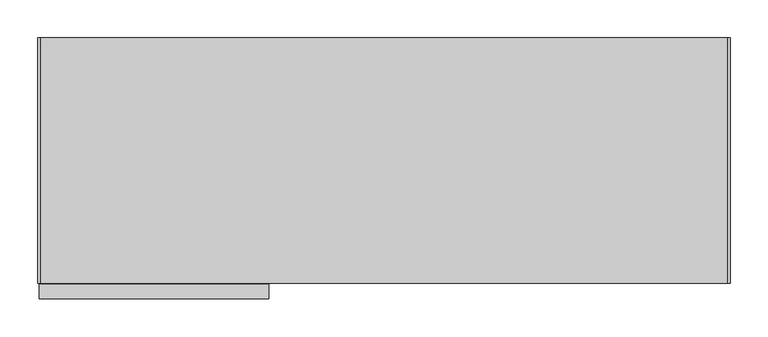
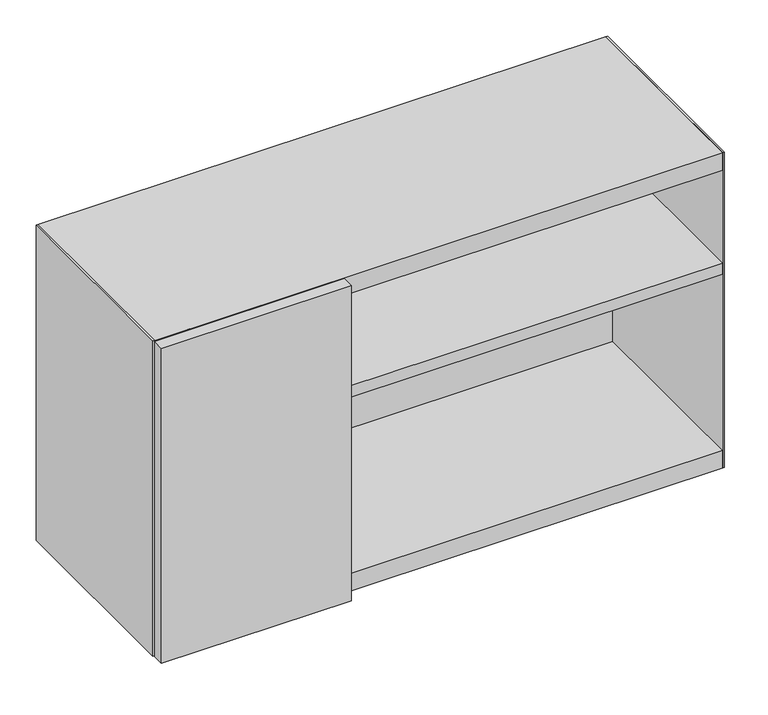
"""IFC4 building model written with IfcOpenShell, lengths in millimetres: furniture geometry."""

from ifc_helpers import new_model, si_unit, frame, origin, place, context, project, spatial, polyline, circle_curve, outline, extrude, source, transform, mapped, element, save
from ifc_brep_helpers import plane_surface, cylinder_surface, advanced_brep


def furniture_c37ce98c(model_context):
    return source(origin(), model_context, "Body", "SolidModel", [
        extrude(outline(polyline([(911.3621767, 0.0), (911.3621767, -19.05), (3.03784, -19.05), (3.03784, 0.0), (911.3621767, 0.0)])), frame((0.0, 0.0, 54.7624005), z_axis=(0.0, 0.0, 1.0), x_axis=(1.0, 0.0, 0.0)), (0.0, 0.0, 1.0), 474.6751961),
        extrude(outline(polyline([(305.5721549, -19.05), (305.5721549, -323.85), (286.5221549, -323.85), (286.5221549, -19.05), (305.5721549, -19.05)])), frame((0.0, 0.0, 54.7624005), z_axis=(0.0, 0.0, 1.0), x_axis=(1.0, 0.0, 0.0)), (0.0, 0.0, 1.0), 474.6751961),
        extrude(outline(polyline([(3.03784, 0.0), (3.03784, -323.85), (0.0, -323.85), (0.0, 0.0), (3.03784, 0.0)])), frame((0.0, 0.0, 25.4000008), z_axis=(0.0, 0.0, 1.0), x_axis=(1.0, 0.0, 0.0)), (0.0, 0.0, 1.0), 533.3999992),
        extrude(outline(polyline([(914.4, 0.0), (914.4, -323.85), (911.3621767, -323.85), (911.3621767, 0.0), (914.4, 0.0)])), frame((0.0, 0.0, 25.4000008), z_axis=(0.0, 0.0, 1.0), x_axis=(1.0, 0.0, 0.0)), (0.0, 0.0, 1.0), 533.3999992),
        extrude(outline(polyline([(305.5721549, -323.85), (305.5721549, -19.05), (911.3621767, -19.05), (911.3621767, -323.85), (305.5721549, -323.85)])), frame((0.0, 0.0, 353.3140082), z_axis=(0.0, 0.0, 1.0), x_axis=(1.0, 0.0, 0.0)), (0.0, 0.0, 1.0), 19.05),
        extrude(outline(polyline([(3.03784, -323.85), (3.03784, 0.0), (911.3621767, 0.0), (911.3621767, -323.85), (3.03784, -323.85)])), frame((0.0, 0.0, 25.4000008), z_axis=(0.0, 0.0, 1.0), x_axis=(1.0, 0.0, 0.0)), (0.0, 0.0, 1.0), 29.3623997),
        extrude(outline(polyline([(3.03784, -323.85), (3.03784, 0.0), (911.3621767, 0.0), (911.3621767, -323.85), (3.03784, -323.85)])), frame((0.0, 0.0, 529.4375965), z_axis=(0.0, 0.0, 1.0), x_axis=(1.0, 0.0, 0.0)), (0.0, 0.0, 1.0), 29.3624035),
        extrude(outline(polyline([(305.1810087, -344.4875121), (1.5875, -344.4875121), (1.5875, -325.4375121), (305.1810087, -325.4375121), (305.1810087, -344.4875121)])), frame((0.0, 0.0, 25.4000008), z_axis=(0.0, 0.0, 1.0), x_axis=(1.0, 0.0, 0.0)), (0.0, 0.0, 1.0), 533.3999992),
        advanced_brep(
        [(66.9289952, -50.8000015, 0.0), (41.5290013, -50.8000015, 0.0), (54.2289982, -50.8000015, 0.0), (54.2289982, -50.8000015, 25.4000008), (50.2602498, -50.8000015, 25.4000008), (58.1977467, -50.8000015, 25.4000008), (50.2602498, -50.8000015, 9.525), (58.1977467, -50.8000015, 9.525), (41.5290013, -50.8000015, 9.525), (66.9289952, -50.8000015, 9.525)],
        [
            (0, 1, circle_curve(frame((54.2289982, -50.8000015, 0.0), z_axis=(0.0, 0.0, -1.0), x_axis=(-1.0, 0.0, 0.0)), 12.699997)),
            (1, 2),
            (2, 0),
            (1, 0, circle_curve(frame((54.2289982, -50.8000015, 0.0), z_axis=(0.0, 0.0, -1.0), x_axis=(-1.0, 0.0, 0.0)), 12.699997)),
            (3, 4),
            (4, 5, circle_curve(frame((54.2289982, -50.8000015, 25.4000008), z_axis=(0.0, 0.0, 1.0), x_axis=(-1.0, 0.0, 0.0)), 3.9687485)),
            (5, 3),
            (5, 4, circle_curve(frame((54.2289982, -50.8000015, 25.4000008), z_axis=(0.0, 0.0, 1.0), x_axis=(-1.0, 0.0, 0.0)), 3.9687485)),
            (4, 6),
            (6, 7, circle_curve(frame((54.2289982, -50.8000015, 9.525), z_axis=(0.0, 0.0, 1.0), x_axis=(-1.0, 0.0, 0.0)), 3.9687485)),
            (7, 5),
            (7, 6, circle_curve(frame((54.2289982, -50.8000015, 9.525), z_axis=(0.0, 0.0, 1.0), x_axis=(-1.0, 0.0, 0.0)), 3.9687485)),
            (6, 8),
            (8, 9, circle_curve(frame((54.2289982, -50.8000015, 9.525), z_axis=(0.0, 0.0, 1.0), x_axis=(-1.0, 0.0, 0.0)), 12.699997)),
            (9, 7),
            (9, 8, circle_curve(frame((54.2289982, -50.8000015, 9.525), z_axis=(0.0, 0.0, 1.0), x_axis=(-1.0, 0.0, 0.0)), 12.699997)),
            (0, 9),
            (8, 1),
        ],
        [
            plane_surface(frame((54.2289982, -50.8000015, 0.0), z_axis=(0.0, 0.0, -1.0), x_axis=(-1.0, 0.0, 0.0))),
            plane_surface(frame((54.2289982, -50.8000015, 25.4000008), z_axis=(0.0, 0.0, 1.0), x_axis=(-1.0, 0.0, 0.0))),
            cylinder_surface(frame((54.2289982, -50.8000015, 25.4000008), z_axis=(0.0, 0.0, 1.0), x_axis=(-1.0, 0.0, 0.0)), 3.9687485),
            plane_surface(frame((54.2289982, -50.8000015, 9.525), z_axis=(0.0, 0.0, 1.0), x_axis=(-1.0, 0.0, 0.0))),
            cylinder_surface(frame((54.2289982, -50.8000015, 25.4000008), z_axis=(0.0, 0.0, 1.0), x_axis=(-1.0, 0.0, 0.0)), 12.699997),
        ],
        [
            (0, [[1, 2, 3]]),
            (0, [[-2, 4, -3]]),
            (1, [[5, 6, 7]]),
            (1, [[-5, -7, 8]]),
            (2, [[-6, 9, 10, 11]]),
            (2, [[-8, -11, 12, -9]]),
            (3, [[-10, 13, 14, 15]]),
            (3, [[-12, -15, 16, -13]]),
            (4, [[-1, 17, -14, 18]]),
            (4, [[-4, -18, -16, -17]]),
        ],
    ),
        advanced_brep(
        [(66.9289952, -273.0499939, 0.0), (41.5290013, -273.0499939, 0.0), (54.2289982, -273.0499939, 0.0), (54.2289982, -273.0499939, 25.4000008), (50.2602498, -273.0499939, 25.4000008), (58.1977467, -273.0499939, 25.4000008), (50.2602498, -273.0499939, 9.525), (58.1977467, -273.0499939, 9.525), (41.5290013, -273.0499939, 9.525), (66.9289952, -273.0499939, 9.525)],
        [
            (0, 1, circle_curve(frame((54.2289982, -273.0499939, 0.0), z_axis=(0.0, 0.0, -1.0), x_axis=(-1.0, 0.0, 0.0)), 12.699997)),
            (1, 2),
            (2, 0),
            (1, 0, circle_curve(frame((54.2289982, -273.0499939, 0.0), z_axis=(0.0, 0.0, -1.0), x_axis=(-1.0, 0.0, 0.0)), 12.699997)),
            (3, 4),
            (4, 5, circle_curve(frame((54.2289982, -273.0499939, 25.4000008), z_axis=(0.0, 0.0, 1.0), x_axis=(-1.0, 0.0, 0.0)), 3.9687485)),
            (5, 3),
            (5, 4, circle_curve(frame((54.2289982, -273.0499939, 25.4000008), z_axis=(0.0, 0.0, 1.0), x_axis=(-1.0, 0.0, 0.0)), 3.9687485)),
            (4, 6),
            (6, 7, circle_curve(frame((54.2289982, -273.0499939, 9.525), z_axis=(0.0, 0.0, 1.0), x_axis=(-1.0, 0.0, 0.0)), 3.9687485)),
            (7, 5),
            (7, 6, circle_curve(frame((54.2289982, -273.0499939, 9.525), z_axis=(0.0, 0.0, 1.0), x_axis=(-1.0, 0.0, 0.0)), 3.9687485)),
            (6, 8),
            (8, 9, circle_curve(frame((54.2289982, -273.0499939, 9.525), z_axis=(0.0, 0.0, 1.0), x_axis=(-1.0, 0.0, 0.0)), 12.699997)),
            (9, 7),
            (9, 8, circle_curve(frame((54.2289982, -273.0499939, 9.525), z_axis=(0.0, 0.0, 1.0), x_axis=(-1.0, 0.0, 0.0)), 12.699997)),
            (0, 9),
            (8, 1),
        ],
        [
            plane_surface(frame((54.2289982, -273.0499939, 0.0), z_axis=(0.0, 0.0, -1.0), x_axis=(-1.0, 0.0, 0.0))),
            plane_surface(frame((54.2289982, -273.0499939, 25.4000008), z_axis=(0.0, 0.0, 1.0), x_axis=(-1.0, 0.0, 0.0))),
            cylinder_surface(frame((54.2289982, -273.0499939, 25.4000008), z_axis=(0.0, 0.0, 1.0), x_axis=(-1.0, 0.0, 0.0)), 3.9687485),
            plane_surface(frame((54.2289982, -273.0499939, 9.525), z_axis=(0.0, 0.0, 1.0), x_axis=(-1.0, 0.0, 0.0))),
            cylinder_surface(frame((54.2289982, -273.0499939, 25.4000008), z_axis=(0.0, 0.0, 1.0), x_axis=(-1.0, 0.0, 0.0)), 12.699997),
        ],
        [
            (0, [[1, 2, 3]]),
            (0, [[-2, 4, -3]]),
            (1, [[5, 6, 7]]),
            (1, [[-5, -7, 8]]),
            (2, [[-6, 9, 10, 11]]),
            (2, [[-8, -11, 12, -9]]),
            (3, [[-10, 13, 14, 15]]),
            (3, [[-12, -15, 16, -13]]),
            (4, [[-1, 17, -14, 18]]),
            (4, [[-4, -18, -16, -17]]),
        ],
    ),
        advanced_brep(
        [(860.1710018, -50.8000015, 0.0), (872.8709987, -50.8000015, 0.0), (847.4710048, -50.8000015, 0.0), (856.2022533, -50.8000015, 25.4000008), (864.1397502, -50.8000015, 25.4000008), (860.1710018, -50.8000015, 25.4000008), (856.2022533, -50.8000015, 9.525), (864.1397502, -50.8000015, 9.525), (847.4710048, -50.8000015, 9.525), (872.8709987, -50.8000015, 9.525)],
        [
            (0, 1),
            (1, 2, circle_curve(frame((860.1710018, -50.8000015, 0.0), z_axis=(0.0, 0.0, -1.0), x_axis=(1.0, 0.0, 0.0)), 12.699997)),
            (2, 0),
            (2, 1, circle_curve(frame((860.1710018, -50.8000015, 0.0), z_axis=(0.0, 0.0, -1.0), x_axis=(1.0, 0.0, 0.0)), 12.699997)),
            (3, 4, circle_curve(frame((860.1710018, -50.8000015, 25.4000008), z_axis=(0.0, 0.0, 1.0), x_axis=(1.0, 0.0, 0.0)), 3.9687485)),
            (4, 5),
            (5, 3),
            (4, 3, circle_curve(frame((860.1710018, -50.8000015, 25.4000008), z_axis=(0.0, 0.0, 1.0), x_axis=(1.0, 0.0, 0.0)), 3.9687485)),
            (3, 6),
            (6, 7, circle_curve(frame((860.1710018, -50.8000015, 9.525), z_axis=(0.0, 0.0, 1.0), x_axis=(1.0, 0.0, 0.0)), 3.9687485)),
            (7, 4),
            (7, 6, circle_curve(frame((860.1710018, -50.8000015, 9.525), z_axis=(0.0, 0.0, 1.0), x_axis=(1.0, 0.0, 0.0)), 3.9687485)),
            (6, 8),
            (8, 9, circle_curve(frame((860.1710018, -50.8000015, 9.525), z_axis=(0.0, 0.0, 1.0), x_axis=(1.0, 0.0, 0.0)), 12.699997)),
            (9, 7),
            (9, 8, circle_curve(frame((860.1710018, -50.8000015, 9.525), z_axis=(0.0, 0.0, 1.0), x_axis=(1.0, 0.0, 0.0)), 12.699997)),
            (1, 9),
            (8, 2),
        ],
        [
            plane_surface(frame((860.1710018, -50.8000015, 0.0), z_axis=(0.0, 0.0, -1.0), x_axis=(1.0, 0.0, 0.0))),
            plane_surface(frame((860.1710018, -50.8000015, 25.4000008), z_axis=(0.0, 0.0, 1.0), x_axis=(1.0, 0.0, 0.0))),
            cylinder_surface(frame((860.1710018, -50.8000015, 25.4000008), z_axis=(0.0, 0.0, -1.0), x_axis=(1.0, 0.0, 0.0)), 3.9687485),
            plane_surface(frame((860.1710018, -50.8000015, 9.525), z_axis=(0.0, 0.0, 1.0), x_axis=(1.0, 0.0, 0.0))),
            cylinder_surface(frame((860.1710018, -50.8000015, 25.4000008), z_axis=(0.0, 0.0, -1.0), x_axis=(1.0, 0.0, 0.0)), 12.699997),
        ],
        [
            (0, [[1, 2, 3]]),
            (0, [[-1, -3, 4]]),
            (1, [[5, 6, 7]]),
            (1, [[-6, 8, -7]]),
            (2, [[-5, 9, 10, 11]]),
            (2, [[-8, -11, 12, -9]]),
            (3, [[-10, 13, 14, 15]]),
            (3, [[-12, -15, 16, -13]]),
            (4, [[-2, 17, -14, 18]]),
            (4, [[-4, -18, -16, -17]]),
        ],
    ),
        advanced_brep(
        [(860.1710018, -273.0499939, 0.0), (872.8709987, -273.0499939, 0.0), (847.4710048, -273.0499939, 0.0), (856.2022533, -273.0499939, 25.4000008), (864.1397502, -273.0499939, 25.4000008), (860.1710018, -273.0499939, 25.4000008), (856.2022533, -273.0499939, 9.525), (864.1397502, -273.0499939, 9.525), (847.4710048, -273.0499939, 9.525), (872.8709987, -273.0499939, 9.525)],
        [
            (0, 1),
            (1, 2, circle_curve(frame((860.1710018, -273.0499939, 0.0), z_axis=(0.0, 0.0, -1.0), x_axis=(1.0, 0.0, 0.0)), 12.699997)),
            (2, 0),
            (2, 1, circle_curve(frame((860.1710018, -273.0499939, 0.0), z_axis=(0.0, 0.0, -1.0), x_axis=(1.0, 0.0, 0.0)), 12.699997)),
            (3, 4, circle_curve(frame((860.1710018, -273.0499939, 25.4000008), z_axis=(0.0, 0.0, 1.0), x_axis=(1.0, 0.0, 0.0)), 3.9687485)),
            (4, 5),
            (5, 3),
            (4, 3, circle_curve(frame((860.1710018, -273.0499939, 25.4000008), z_axis=(0.0, 0.0, 1.0), x_axis=(1.0, 0.0, 0.0)), 3.9687485)),
            (3, 6),
            (6, 7, circle_curve(frame((860.1710018, -273.0499939, 9.525), z_axis=(0.0, 0.0, 1.0), x_axis=(1.0, 0.0, 0.0)), 3.9687485)),
            (7, 4),
            (7, 6, circle_curve(frame((860.1710018, -273.0499939, 9.525), z_axis=(0.0, 0.0, 1.0), x_axis=(1.0, 0.0, 0.0)), 3.9687485)),
            (6, 8),
            (8, 9, circle_curve(frame((860.1710018, -273.0499939, 9.525), z_axis=(0.0, 0.0, 1.0), x_axis=(1.0, 0.0, 0.0)), 12.699997)),
            (9, 7),
            (9, 8, circle_curve(frame((860.1710018, -273.0499939, 9.525), z_axis=(0.0, 0.0, 1.0), x_axis=(1.0, 0.0, 0.0)), 12.699997)),
            (1, 9),
            (8, 2),
        ],
        [
            plane_surface(frame((860.1710018, -273.0499939, 0.0), z_axis=(0.0, 0.0, -1.0), x_axis=(1.0, 0.0, 0.0))),
            plane_surface(frame((860.1710018, -273.0499939, 25.4000008), z_axis=(0.0, 0.0, 1.0), x_axis=(1.0, 0.0, 0.0))),
            cylinder_surface(frame((860.1710018, -273.0499939, 25.4000008), z_axis=(0.0, 0.0, -1.0), x_axis=(1.0, 0.0, 0.0)), 3.9687485),
            plane_surface(frame((860.1710018, -273.0499939, 9.525), z_axis=(0.0, 0.0, 1.0), x_axis=(1.0, 0.0, 0.0))),
            cylinder_surface(frame((860.1710018, -273.0499939, 25.4000008), z_axis=(0.0, 0.0, -1.0), x_axis=(1.0, 0.0, 0.0)), 12.699997),
        ],
        [
            (0, [[1, 2, 3]]),
            (0, [[-1, -3, 4]]),
            (1, [[5, 6, 7]]),
            (1, [[-6, 8, -7]]),
            (2, [[-5, 9, 10, 11]]),
            (2, [[-8, -11, 12, -9]]),
            (3, [[-10, 13, 14, 15]]),
            (3, [[-12, -15, 16, -13]]),
            (4, [[-2, 17, -14, 18]]),
            (4, [[-4, -18, -16, -17]]),
        ],
    ),
    ])


if __name__ == "__main__":
    model = new_model("IFC4")
    model_context = context("Model", 3, world=origin())
    ifc_project = project(units=[si_unit("LENGTHUNIT", "METRE", prefix="MILLI")], contexts=[model_context])
    site = spatial("IfcSite", under=ifc_project)
    building = spatial("IfcBuilding", under=site)
    placement = place(None, origin())
    furniture_shape = furniture_c37ce98c(model_context)
    element("IfcFurniture", 1, at=placement, inside=building, context=model_context, shape_type="MappedRepresentation", body=[
        mapped(furniture_shape, transform((0.0, 0.0, 0.0), x_axis=(1.0, 0.0, 0.0), y_axis=(0.0, 1.0, 0.0), z_axis=(0.0, 0.0, 1.0))),
    ])
    save(model, "model.ifc")
